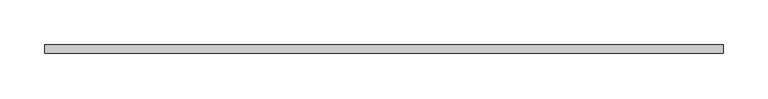
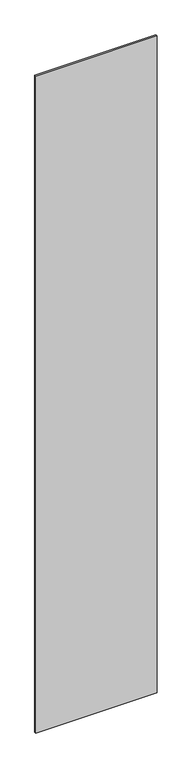
"""IFC4 building model written with IfcOpenShell, lengths in millimetres: plate geometry."""

from ifc_helpers import new_model, si_unit, origin, origin_with_axes, place, context, project, spatial, polyline, outline, extrude, source, transform, mapped, element, save


def plate_889f6c57(model_context):
    return source(origin(), model_context, "Body", "SweptSolid", [
        extrude(outline(polyline([(380.8333333, -5.0), (-380.8333333, -5.0), (-380.8333333, 5.0), (380.8333333, 5.0), (380.8333333, -5.0)])), origin_with_axes(), (0.0, 0.0, 1.0), 4360.0),
    ])


if __name__ == "__main__":
    model = new_model("IFC4")
    model_context = context("Model", 3, world=origin())
    ifc_project = project(units=[si_unit("LENGTHUNIT", "METRE", prefix="MILLI")], contexts=[model_context])
    site = spatial("IfcSite", under=ifc_project)
    building = spatial("IfcBuilding", under=site)
    placement = place(None, origin())
    plate_shape = plate_889f6c57(model_context)
    element("IfcPlate", 1, at=placement, inside=building, context=model_context, shape_type="MappedRepresentation", body=[
        mapped(plate_shape, transform((0.0, 0.0, 0.0), x_axis=(1.0, 0.0, 0.0), y_axis=(0.0, 1.0, 0.0), z_axis=(0.0, 0.0, 1.0))),
    ])
    save(model, "model.ifc")
